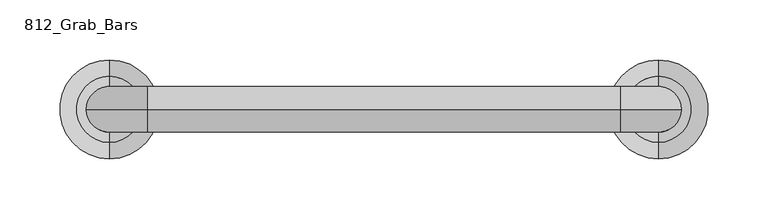
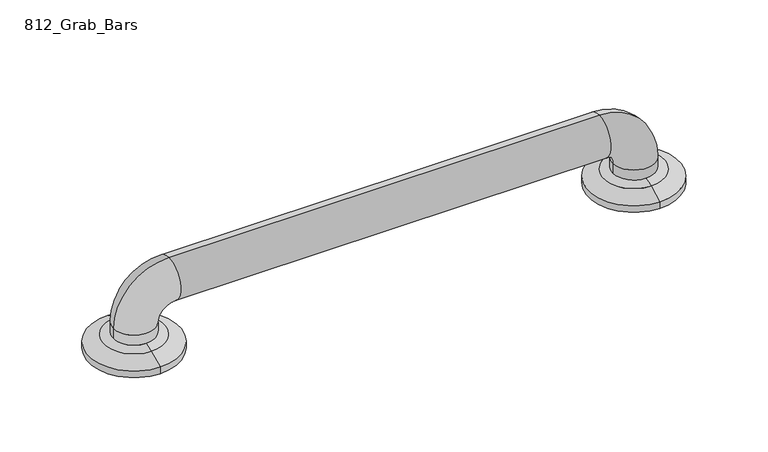
"""IFC4 building model written with IfcOpenShell, lengths in millimetres: proxy geometry, 812_Grab_Bars."""

from ifc_helpers import new_model, si_unit, point, frame, origin, place, context, project, spatial, polyline, circle_curve, ellipse_curve, trimmed, source, transform, mapped, element, save
from ifc_brep_helpers import plane_surface, cylinder_surface, revolved_surface, advanced_brep


def proxy_812_grab_bars_bdd373ed(model_context):
    return source(origin(), model_context, "Body", "AdvancedBrep", [
        advanced_brep(
        [(-173.0375, -564.1630987, 13.1934507), (-173.0375, -508.9869013, 13.1934507), (-173.0375, -495.3, 6.35), (-173.0375, -577.85, 6.35), (-173.0375, -555.625, 15.7178454), (-192.0875, -536.575, 15.7178454), (-173.0375, -517.525, 15.7178454), (-153.9875, -536.575, 15.7178454), (-173.0375, -577.85, 0.0), (-173.0375, -495.3, 0.0), (-173.0375, -517.525, 0.0), (-173.0375, -536.575, 0.0), (-173.0375, -555.625, 0.0), (-192.0875, -536.575, 25.4), (-153.9875, -536.575, 25.4), (-141.2875, -536.575, 76.2), (-141.2875, -536.575, 38.1), (252.4125, -536.575, 76.2), (252.4125, -536.575, 38.1), (303.2125, -536.575, 25.4), (265.1125, -536.575, 25.4), (284.1625, -577.85, 0.0), (284.1625, -495.3, 0.0), (303.2125, -536.575, 15.7178454), (284.1625, -517.525, 15.7178454), (265.1125, -536.575, 15.7178454), (284.1625, -555.625, 15.7178454), (284.1625, -564.1630987, 13.1934507), (284.1625, -508.9869013, 13.1934507), (284.1625, -495.3, 6.35), (284.1625, -577.85, 6.35)],
        [
            (0, 1, circle_curve(frame((-173.0375, -536.575, 13.1934507), z_axis=(0.0, 0.0, -1.0), x_axis=(0.0, 1.0, 0.0)), 27.5880987)),
            (1, 2),
            (2, 3, circle_curve(frame((-173.0375, -536.575, 6.35), z_axis=(0.0, 0.0, 1.0), x_axis=(0.0, 1.0, 0.0)), 41.275)),
            (3, 0),
            (1, 0, circle_curve(frame((-173.0375, -536.575, 13.1934507), z_axis=(0.0, 0.0, -1.0), x_axis=(0.0, 1.0, 0.0)), 27.5880987)),
            (3, 2, circle_curve(frame((-173.0375, -536.575, 6.35), z_axis=(0.0, 0.0, 1.0), x_axis=(0.0, 1.0, 0.0)), 41.275)),
            (0, 4, circle_curve(frame((-173.0375, -552.8038734, -9.525), z_axis=(-1.0, 0.0, 0.0), x_axis=(0.0, 0.0, -1.0)), 25.4)),
            (4, 5, circle_curve(frame((-173.0375, -536.575, 15.7178454), z_axis=(0.0, 0.0, -1.0), x_axis=(0.0, 1.0, 0.0)), 19.05)),
            (5, 6, circle_curve(frame((-173.0375, -536.575, 15.7178454), z_axis=(0.0, 0.0, -1.0), x_axis=(0.0, 1.0, 0.0)), 19.05)),
            (6, 1, circle_curve(frame((-173.0375, -520.3461266, -9.525), z_axis=(-1.0, 0.0, 0.0), x_axis=(0.0, 0.0, -1.0)), 25.4)),
            (6, 7, circle_curve(frame((-173.0375, -536.575, 15.7178454), z_axis=(0.0, 0.0, -1.0), x_axis=(0.0, 1.0, 0.0)), 19.05)),
            (7, 4, circle_curve(frame((-173.0375, -536.575, 15.7178454), z_axis=(0.0, 0.0, -1.0), x_axis=(0.0, 1.0, 0.0)), 19.05)),
            (8, 9, circle_curve(frame((-173.0375, -536.575, 0.0), z_axis=(0.0, 0.0, -1.0), x_axis=(0.0, 1.0, 0.0)), 41.275)),
            (9, 10),
            (10, 11),
            (11, 12),
            (12, 8),
            (9, 8, circle_curve(frame((-173.0375, -536.575, 0.0), z_axis=(0.0, 0.0, -1.0), x_axis=(0.0, 1.0, 0.0)), 41.275)),
            (2, 9),
            (8, 3),
            (13, 14, circle_curve(frame((-173.0375, -536.575, 25.4), z_axis=(0.0, 0.0, -1.0), x_axis=(1.0, 0.0, 0.0)), 19.05)),
            (14, 7),
            (5, 13),
            (14, 13, circle_curve(frame((-173.0375, -536.575, 25.4), z_axis=(0.0, 0.0, -1.0), x_axis=(1.0, 0.0, 0.0)), 19.05)),
            (13, 15, circle_curve(frame((-141.2875, -536.575, 25.4), z_axis=(0.0, 1.0, 0.0), x_axis=(-1.0, 0.0, 0.0)), 50.8)),
            (15, 16, circle_curve(frame((-141.2875, -536.575, 57.15), z_axis=(-1.0, 0.0, 0.0), x_axis=(0.0, 0.0, -1.0)), 19.05)),
            (16, 14, circle_curve(frame((-141.2875, -536.575, 25.4), z_axis=(0.0, -1.0, 0.0), x_axis=(-1.0, 0.0, 0.0)), 12.7)),
            (16, 15, circle_curve(frame((-141.2875, -536.575, 57.15), z_axis=(-1.0, 0.0, 0.0), x_axis=(0.0, 0.0, -1.0)), 19.05)),
            (15, 17),
            (17, 18, circle_curve(frame((252.4125, -536.575, 57.15), z_axis=(-1.0, 0.0, 0.0), x_axis=(0.0, 0.0, -1.0)), 19.05)),
            (18, 16),
            (18, 17, circle_curve(frame((252.4125, -536.575, 57.15), z_axis=(-1.0, 0.0, 0.0), x_axis=(0.0, 0.0, -1.0)), 19.05)),
            (17, 19, circle_curve(frame((252.4125, -536.575, 25.4), z_axis=(0.0, 1.0, 0.0), x_axis=(0.0, 0.0, 1.0)), 50.8)),
            (19, 20, circle_curve(frame((284.1625, -536.575, 25.4), z_axis=(0.0, 0.0, 1.0), x_axis=(-1.0, 0.0, 0.0)), 19.05)),
            (20, 18, circle_curve(frame((252.4125, -536.575, 25.4), z_axis=(0.0, -1.0, 0.0), x_axis=(0.0, 0.0, 1.0)), 12.7)),
            (20, 19, circle_curve(frame((284.1625, -536.575, 25.4), z_axis=(0.0, 0.0, 1.0), x_axis=(-1.0, 0.0, 0.0)), 19.05)),
            (21, 22, circle_curve(frame((284.1625, -536.575, 0.0), z_axis=(0.0, 0.0, -1.0), x_axis=(0.0, 1.0, 0.0)), 41.275)),
            (22, 21, circle_curve(frame((284.1625, -536.575, 0.0), z_axis=(0.0, 0.0, -1.0), x_axis=(0.0, 1.0, 0.0)), 41.275)),
            (19, 23),
            (23, 24, circle_curve(frame((284.1625, -536.575, 15.7178454), z_axis=(0.0, 0.0, 1.0), x_axis=(-1.0, 0.0, 0.0)), 19.05)),
            (24, 25, circle_curve(frame((284.1625, -536.575, 15.7178454), z_axis=(0.0, 0.0, 1.0), x_axis=(-1.0, 0.0, 0.0)), 19.05)),
            (25, 20),
            (25, 26, circle_curve(frame((284.1625, -536.575, 15.7178454), z_axis=(0.0, 0.0, 1.0), x_axis=(-1.0, 0.0, 0.0)), 19.05)),
            (26, 23, circle_curve(frame((284.1625, -536.575, 15.7178454), z_axis=(0.0, 0.0, 1.0), x_axis=(-1.0, 0.0, 0.0)), 19.05)),
            (27, 28, circle_curve(frame((284.1625, -536.575, 13.1934507), z_axis=(0.0, 0.0, -1.0), x_axis=(0.0, 1.0, 0.0)), 27.5880987)),
            (28, 29),
            (29, 30, circle_curve(frame((284.1625, -536.575, 6.35), z_axis=(0.0, 0.0, 1.0), x_axis=(0.0, 1.0, 0.0)), 41.275)),
            (30, 27),
            (28, 27, circle_curve(frame((284.1625, -536.575, 13.1934507), z_axis=(0.0, 0.0, -1.0), x_axis=(0.0, 1.0, 0.0)), 27.5880987)),
            (30, 29, circle_curve(frame((284.1625, -536.575, 6.35), z_axis=(0.0, 0.0, 1.0), x_axis=(0.0, 1.0, 0.0)), 41.275)),
            (27, 26, circle_curve(frame((284.1625, -552.8038734, -9.525), z_axis=(-1.0, 0.0, 0.0), x_axis=(0.0, 0.0, -1.0)), 25.4)),
            (24, 28, circle_curve(frame((284.1625, -520.3461266, -9.525), z_axis=(-1.0, 0.0, 0.0), x_axis=(0.0, 0.0, -1.0)), 25.4)),
            (29, 22),
            (21, 30),
        ],
        [
            revolved_surface(polyline([(-173.0375, -495.3, 6.35), (-173.0375, -508.9869013, 13.1934507)]), (-173.0375, -536.575, 31.75), (0.0, 0.0, 1.0)),
            revolved_surface(trimmed(ellipse_curve(frame((-173.0375, -520.3461266, -9.525), z_axis=(1.0, 0.0, 0.0), x_axis=(0.0, 0.0, -1.0)), 25.4, 25.4), [point((-173.0375, -508.9869013, 13.1934507))], [point((-173.0375, -520.3461266, 15.875))], True, "CARTESIAN"), (-173.0375, -536.575, 31.75), (0.0, 0.0, 1.0)),
            plane_surface(frame((-173.0375, -536.575, 0.0), z_axis=(0.0, 0.0, -1.0), x_axis=(0.0, 1.0, 0.0))),
            cylinder_surface(frame((-173.0375, -536.575, 31.75), z_axis=(0.0, 0.0, 1.0), x_axis=(0.0, 1.0, 0.0)), 41.275),
            cylinder_surface(frame((-173.0375, -536.575, 0.0), z_axis=(0.0, 0.0, -1.0), x_axis=(1.0, 0.0, 0.0)), 19.05),
            revolved_surface(trimmed(ellipse_curve(frame((-173.0375, -536.575, 25.4), z_axis=(0.0, 0.0, -1.0), x_axis=(1.0, 0.0, 0.0)), 19.05, 19.05), [point((-192.0875, -536.575, 25.4))], [point((-153.9875, -536.575, 25.4))], True, "CARTESIAN"), (-141.2875, -536.575, 25.4), (0.0, 1.0, 0.0)),
            revolved_surface(trimmed(ellipse_curve(frame((-173.0375, -536.575, 25.4), z_axis=(0.0, 0.0, -1.0), x_axis=(1.0, 0.0, 0.0)), 19.05, 19.05), [point((-153.9875, -536.575, 25.4))], [point((-192.0875, -536.575, 25.4))], True, "CARTESIAN"), (-141.2875, -536.575, 25.4), (0.0, 1.0, 0.0)),
            cylinder_surface(frame((-141.2875, -536.575, 57.15), z_axis=(-1.0, 0.0, 0.0), x_axis=(0.0, 0.0, -1.0)), 19.05),
            revolved_surface(trimmed(ellipse_curve(frame((252.4125, -536.575, 57.15), z_axis=(-1.0, 0.0, 0.0), x_axis=(0.0, 0.0, -1.0)), 19.05, 19.05), [point((252.4125, -536.575, 76.2))], [point((252.4125, -536.575, 38.1))], True, "CARTESIAN"), (252.4125, -536.575, 25.4), (0.0, 1.0, 0.0)),
            revolved_surface(trimmed(ellipse_curve(frame((252.4125, -536.575, 57.15), z_axis=(-1.0, 0.0, 0.0), x_axis=(0.0, 0.0, -1.0)), 19.05, 19.05), [point((252.4125, -536.575, 38.1))], [point((252.4125, -536.575, 76.2))], True, "CARTESIAN"), (252.4125, -536.575, 25.4), (0.0, 1.0, 0.0)),
            plane_surface(frame((284.1625, -536.575, 0.0), z_axis=(0.0, 0.0, -1.0), x_axis=(0.0, 1.0, 0.0))),
            cylinder_surface(frame((284.1625, -536.575, 25.4), z_axis=(0.0, 0.0, 1.0), x_axis=(-1.0, 0.0, 0.0)), 19.05),
            revolved_surface(polyline([(284.1625, -495.3, 6.35), (284.1625, -508.9869013, 13.1934507)]), (284.1625, -536.575, -29.0642853), (0.0, 0.0, 1.0)),
            revolved_surface(trimmed(ellipse_curve(frame((284.1625, -520.3461266, -9.525), z_axis=(1.0, 0.0, 0.0), x_axis=(0.0, 0.0, -1.0)), 25.4, 25.4), [point((284.1625, -508.9869013, 13.1934507))], [point((284.1625, -520.3461266, 15.875))], True, "CARTESIAN"), (284.1625, -536.575, -29.0642853), (0.0, 0.0, 1.0)),
            cylinder_surface(frame((284.1625, -536.575, -29.0642853), z_axis=(0.0, 0.0, 1.0), x_axis=(0.0, 1.0, 0.0)), 41.275),
        ],
        [
            (0, [[1, 2, 3, 4]]),
            (0, [[-2, 5, -4, 6]]),
            (1, [[-1, 7, 8, 9, 10]]),
            (1, [[-5, -10, 11, 12, -7]]),
            (2, [[13, 14, 15, 16, 17]]),
            (2, [[18, -17, -16, -15, -14]]),
            (3, [[-3, 19, -13, 20]]),
            (3, [[-6, -20, -18, -19]]),
            (4, [[21, 22, -11, -9, 23]]),
            (4, [[24, -23, -8, -12, -22]]),
            (5, [[-21, 25, 26, 27]]),
            (6, [[-24, -27, 28, -25]]),
            (7, [[-26, 29, 30, 31]]),
            (7, [[-28, -31, 32, -29]]),
            (8, [[-30, 33, 34, 35]]),
            (9, [[-32, -35, 36, -33]]),
            (10, [[37, 38]]),
            (11, [[-34, 39, 40, 41, 42]]),
            (11, [[-36, -42, 43, 44, -39]]),
            (12, [[45, 46, 47, 48]]),
            (12, [[-46, 49, -48, 50]]),
            (13, [[-45, 51, -43, -41, 52]]),
            (13, [[-49, -52, -40, -44, -51]]),
            (14, [[-47, 53, -37, 54]]),
            (14, [[-50, -54, -38, -53]]),
        ],
    ),
    ])


if __name__ == "__main__":
    model = new_model("IFC4")
    model_context = context("Model", 3, world=origin())
    ifc_project = project(units=[si_unit("LENGTHUNIT", "METRE", prefix="MILLI")], contexts=[model_context])
    site = spatial("IfcSite", under=ifc_project)
    building = spatial("IfcBuilding", under=site)
    placement = place(None, origin())
    proxy_812_grab_bars_shape = proxy_812_grab_bars_bdd373ed(model_context)
    element("IfcBuildingElementProxy", 1, Name="812_Grab_Bars", ObjectType="812_Grab_Bars", at=placement, inside=building, context=model_context, shape_type="MappedRepresentation", body=[
        mapped(proxy_812_grab_bars_shape, transform((0.0, 0.0, 0.0), x_axis=(1.0, 0.0, 0.0), y_axis=(0.0, 1.0, 0.0), z_axis=(0.0, 0.0, 1.0))),
    ])
    save(model, "model.ifc")
